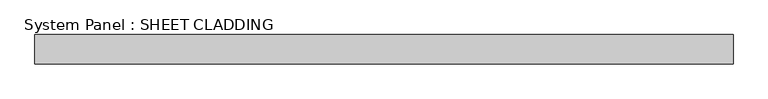
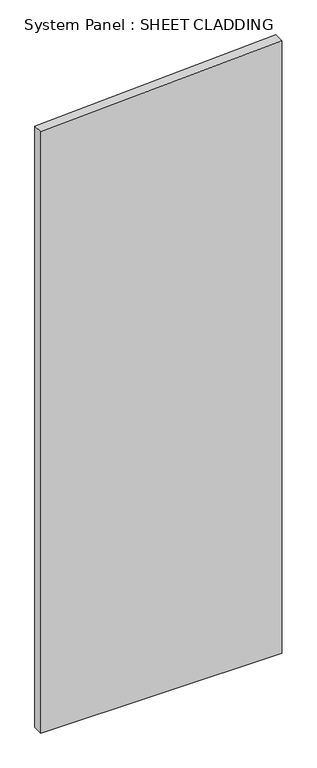
"""IFC4 building model written with IfcOpenShell, lengths in millimetres: plate geometry, System Panel : SHEET CLADDING."""

from ifc_helpers import new_model, si_unit, frame, origin, place, context, project, spatial, polyline, outline, extrude, source, transform, mapped, element, save


def system_panel_sheet_cladding_4abb21f1(model_context):
    return source(origin(), model_context, "Body", "SweptSolid", [
        extrude(outline(polyline([(0.0, -718.75), (0.0, 718.75), (3863.225, 718.75), (3791.35, -718.75), (0.0, -718.75)])), frame((0.0, -49.5, 0.0), z_axis=(0.0, 1.0, 0.0), x_axis=(0.0, 0.0, 1.0)), (0.0, 0.0, 1.0), 60.0),
    ])


if __name__ == "__main__":
    model = new_model("IFC4")
    model_context = context("Model", 3, world=origin())
    ifc_project = project(units=[si_unit("LENGTHUNIT", "METRE", prefix="MILLI")], contexts=[model_context])
    site = spatial("IfcSite", under=ifc_project)
    building = spatial("IfcBuilding", under=site)
    placement = place(None, origin())
    system_panel_sheet_cladding_shape = system_panel_sheet_cladding_4abb21f1(model_context)
    element("IfcPlate", 1, ObjectType="System Panel : SHEET CLADDING", at=placement, inside=building, context=model_context, shape_type="MappedRepresentation", body=[
        mapped(system_panel_sheet_cladding_shape, transform((0.0, 0.0, 0.0), x_axis=(1.0, 0.0, 0.0), y_axis=(0.0, 1.0, 0.0), z_axis=(0.0, 0.0, 1.0))),
    ])
    save(model, "model.ifc")
